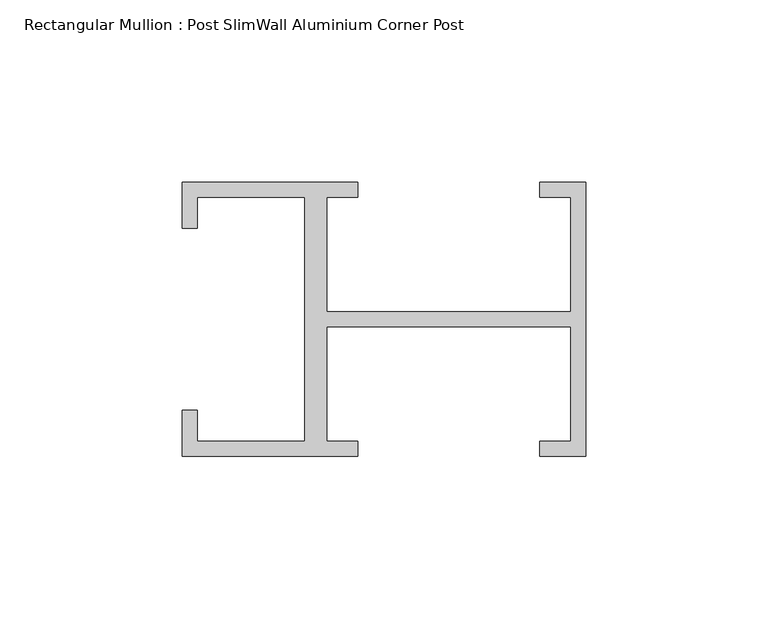
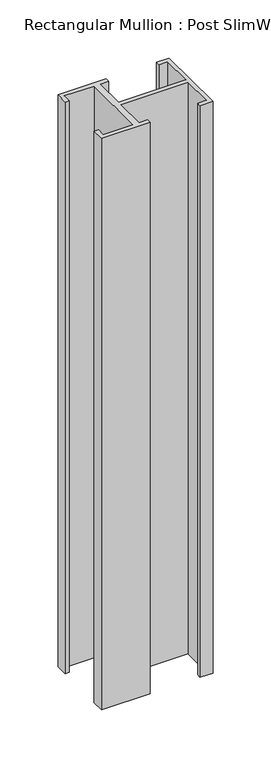
"""IFC4 building model written with IfcOpenShell, lengths in millimetres: member geometry, Rectangular Mullion : Post SlimWall Aluminium Corner Post."""

from ifc_helpers import new_model, si_unit, frame, origin, place, context, project, spatial, polyline, outline, extrude, source, transform, mapped, element, save


def rectangular_mullion_post_slimwall_aluminium_corner_post_a53bdd06(model_context):
    return source(origin(), model_context, "Body", "SweptSolid", [
        extrude(outline(polyline([(-71.0, -33.5), (-62.5, -33.5), (-62.5, -37.5), (-110.5, -37.5), (-110.5, -25.0), (-106.5, -25.0), (-106.5, -33.5), (-77.0, -33.5), (-77.0, 33.5), (-106.5, 33.5), (-106.5, 25.0), (-110.5, 25.0), (-110.5, 37.5), (-62.5, 37.5), (-62.5, 33.5), (-71.0, 33.5), (-71.0, 2.0), (-4.0, 2.0), (-4.0, 33.5), (-12.5, 33.5), (-12.5, 37.5), (0.0, 37.5), (0.0, -37.5), (-12.5, -37.5), (-12.5, -33.5), (-4.0, -33.5), (-4.0, -2.0), (-71.0, -2.0), (-71.0, -33.5)])), frame((0.0, 0.0, -600.0), z_axis=(0.0, 0.0, 1.0), x_axis=(1.0, 0.0, 0.0)), (0.0, 0.0, 1.0), 600.0),
    ])


if __name__ == "__main__":
    model = new_model("IFC4")
    model_context = context("Model", 3, world=origin())
    ifc_project = project(units=[si_unit("LENGTHUNIT", "METRE", prefix="MILLI")], contexts=[model_context])
    site = spatial("IfcSite", under=ifc_project)
    building = spatial("IfcBuilding", under=site)
    placement = place(None, origin())
    rectangular_mullion_post_slimwall_aluminium_corner_post_shape = rectangular_mullion_post_slimwall_aluminium_corner_post_a53bdd06(model_context)
    element("IfcMember", 1, ObjectType="Rectangular Mullion : Post SlimWall Aluminium Corner Post", at=placement, inside=building, context=model_context, shape_type="MappedRepresentation", body=[
        mapped(rectangular_mullion_post_slimwall_aluminium_corner_post_shape, transform((0.0, 0.0, 0.0), x_axis=(1.0, 0.0, 0.0), y_axis=(0.0, 1.0, 0.0), z_axis=(0.0, 0.0, 1.0))),
    ])
    save(model, "model.ifc")
